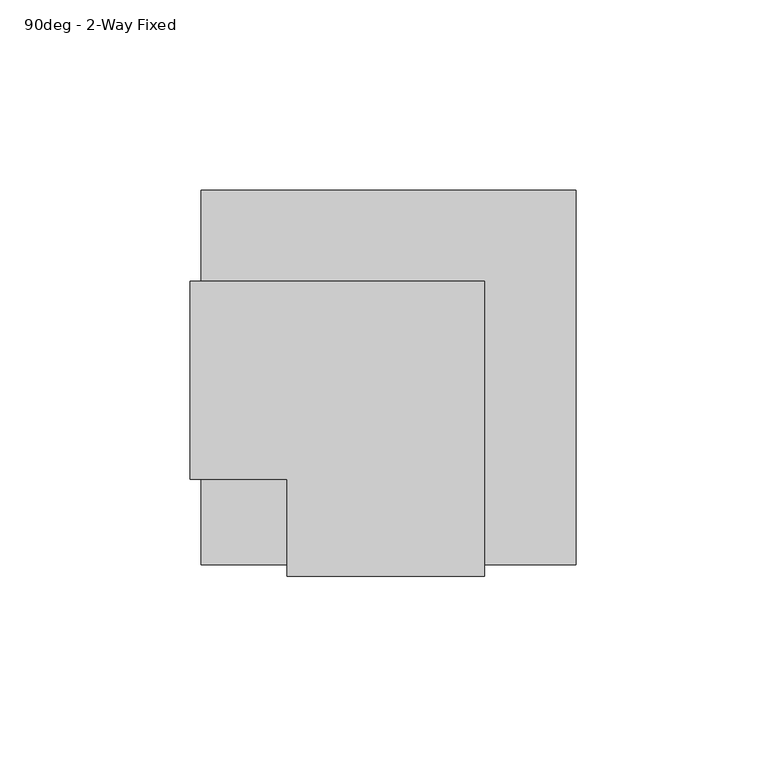
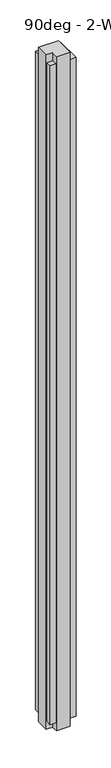
"""IFC4 building model written with IfcOpenShell, lengths in millimetres: furniture geometry, 90deg - 2-Way Fixed."""

import ifcopenshell
import ifcopenshell.guid

model = None  # the IFC model being written
_history = None  # IfcOwnerHistory: only IFC2X3 demands one
_inside = {}  # id of a spatial element -> (the spatial element, [elements in it])
_under = {}  # id of a project, library or spatial element -> (it, [spatial elements below it])
_declared = {}  # id of a project -> (the project, [libraries it declares])
_typed = {}  # id of a type object -> (the type object, [elements of that type])
_made_of = {}  # id of a material, layer set ... -> (it, [elements and type objects made of it])


def new_model(schema):
    """Start an empty IFC model of exactly this schema.

    Asked for "IFC4X3", IfcOpenShell would pick the latest addendum, in which some entities
    have other attributes; the version numbers below select the first issue.
    IFC2X3 requires an IfcOwnerHistory on every rooted entity: one is made here for all.
    """
    global model, _history
    if schema == "IFC4X3":
        model = ifcopenshell.file(schema_version=(4, 3, 0, 0))
    else:
        model = ifcopenshell.file(schema=schema)
    _inside.clear()
    _under.clear()
    _declared.clear()
    _typed.clear()
    _made_of.clear()
    _history = None
    if model.schema == "IFC2X3":
        org = make("IfcOrganization", Name="unknown")
        user = make(
            "IfcPersonAndOrganization",
            ThePerson=make("IfcPerson", FamilyName="unknown"),
            TheOrganization=org,
        )
        app = make(
            "IfcApplication",
            ApplicationDeveloper=org,
            Version="unknown",
            ApplicationFullName="unknown",
            ApplicationIdentifier="unknown",
        )
        _history = make(
            "IfcOwnerHistory",
            OwningUser=user,
            OwningApplication=app,
            ChangeAction="ADDED",
            CreationDate=0,
        )
    return model


def make(cls, **values):
    """One entity of the class cls with the attributes given. An attribute that is None is left unset."""
    return model.create_entity(
        cls, **{name: value for name, value in values.items() if value is not None}
    )


def rooted(cls, **values):
    """An entity with a GlobalId (a new one), such as an element, a storey or a relation."""
    return make(cls, GlobalId=ifcopenshell.guid.new(), OwnerHistory=_history, **values)


def si_unit(unit_type, name, prefix=None):
    """IfcSIUnit, for example si_unit("LENGTHUNIT", "METRE", prefix="MILLI")."""
    return make("IfcSIUnit", UnitType=unit_type, Prefix=prefix, Name=name)


def assignment(units):
    """IfcUnitAssignment: the units of a project."""
    return None if units is None else make("IfcUnitAssignment", Units=units)


def point(xyz):
    """IfcCartesianPoint."""
    return None if xyz is None else make("IfcCartesianPoint", Coordinates=xyz)


def direction(xyz):
    """IfcDirection."""
    return None if xyz is None else make("IfcDirection", DirectionRatios=xyz)


def frame(location, z_axis=None, x_axis=None):
    """IfcAxis2Placement3D, a coordinate frame: its origin and axes. An axis left out is left unset."""
    return make(
        "IfcAxis2Placement3D",
        Location=point(location),
        Axis=direction(z_axis),
        RefDirection=direction(x_axis),
    )


def origin():
    """The frame at (0, 0, 0) with its axes left unset."""
    return frame((0.0, 0.0, 0.0))


def origin_with_axes():
    """The frame at (0, 0, 0) with the z axis (0, 0, 1) and the x axis (1, 0, 0) written out."""
    return frame((0.0, 0.0, 0.0), z_axis=(0.0, 0.0, 1.0), x_axis=(1.0, 0.0, 0.0))


def place(relative_to, where):
    """IfcLocalPlacement: puts the frame where relative to a parent placement (None: the world)."""
    return make(
        "IfcLocalPlacement", PlacementRelTo=relative_to, RelativePlacement=where
    )


def context(
    kind, dimensions, precision=None, world=None, true_north=None, identifier=None
):
    """IfcGeometricRepresentationContext, for example the 3D "Model" context."""
    return make(
        "IfcGeometricRepresentationContext",
        ContextIdentifier=identifier,
        ContextType=kind,
        CoordinateSpaceDimension=dimensions,
        Precision=precision,
        WorldCoordinateSystem=world,
        TrueNorth=true_north,
    )


def project(units=None, contexts=None):
    """IfcProject with its units and contexts."""
    return rooted(
        "IfcProject",
        Name="project",
        RepresentationContexts=contexts,
        UnitsInContext=assignment(units),
    )


def spatial(cls, under=None, at=None, **own):
    """A site, building, storey or space (cls), placed at a placement, below another one or the project."""
    s = rooted(cls, ObjectPlacement=at, **own)
    if under is not None:
        _under.setdefault(under.id(), (under, []))[1].append(s)
    return s


def polyline(points):
    """IfcPolyline through the points."""
    return make("IfcPolyline", Points=[point(p) for p in points])


def outline(outer, holes=None, kind="AREA"):
    """IfcArbitraryClosedProfileDef: a profile drawn as a closed curve; with holes, ...WithVoids."""
    if holes is None:
        return make("IfcArbitraryClosedProfileDef", ProfileType=kind, OuterCurve=outer)
    return make(
        "IfcArbitraryProfileDefWithVoids",
        ProfileType=kind,
        OuterCurve=outer,
        InnerCurves=holes,
    )


def extrude(swept, where, along, depth):
    """IfcExtrudedAreaSolid: the profile swept, set in the frame where, extruded along a direction by depth."""
    return make(
        "IfcExtrudedAreaSolid",
        SweptArea=swept,
        Position=where,
        ExtrudedDirection=direction(along),
        Depth=depth,
    )


def shape(context_of_items, identifier, shape_type, items):
    """IfcShapeRepresentation: the items that make up one representation, for example the "Body"."""
    return make(
        "IfcShapeRepresentation",
        ContextOfItems=context_of_items,
        RepresentationIdentifier=identifier,
        RepresentationType=shape_type,
        Items=items,
    )


def source(mapping_origin, context_of_items, identifier, shape_type, items):
    """IfcRepresentationMap: a shape defined once, which mapped items show again and again."""
    return make(
        "IfcRepresentationMap",
        MappingOrigin=mapping_origin,
        MappedRepresentation=shape(context_of_items, identifier, shape_type, items),
    )


def transform(
    local_origin,
    x_axis=None,
    y_axis=None,
    z_axis=None,
    scale=None,
    scale2=None,
    scale3=None,
    uniform=True,
):
    """IfcCartesianTransformationOperator3D, or its non-uniform kind. x_axis, y_axis, z_axis: its Axis1, 2, 3."""
    if uniform:
        return make(
            "IfcCartesianTransformationOperator3D",
            Axis1=direction(x_axis),
            Axis2=direction(y_axis),
            LocalOrigin=point(local_origin),
            Scale=scale,
            Axis3=direction(z_axis),
        )
    return make(
        "IfcCartesianTransformationOperator3DnonUniform",
        Axis1=direction(x_axis),
        Axis2=direction(y_axis),
        LocalOrigin=point(local_origin),
        Scale=scale,
        Axis3=direction(z_axis),
        Scale2=scale2,
        Scale3=scale3,
    )


def mapped(mapping_source, mapping_target):
    """IfcMappedItem: shows the shape of a source again, moved by a transform."""
    return make(
        "IfcMappedItem", MappingSource=mapping_source, MappingTarget=mapping_target
    )


def made_of(thing, what):
    """Note that an element or type object is made of a material, layer set ...; save() writes the relation."""
    if what is not None:
        _made_of.setdefault(what.id(), (what, []))[1].append(thing)
    return thing


def element(
    cls,
    number,
    at=None,
    inside=None,
    cuts=None,
    type_object=None,
    material=None,
    context=None,
    identifier="Body",
    shape_type=None,
    held_by="IfcProductDefinitionShape",
    body=None,
    shapes=None,
    **own,
):
    """One element of the class cls, such as IfcWall. Its Tag is "e" and its number.

    at: its placement. inside: the storey or other place that contains it. cuts: it is an
    opening in that element (IfcRelVoidsElement). A single representation is given by context,
    identifier, shape_type and body (its items); several are given by shapes. held_by: the class
    of the entity that holds the representations. save() writes the other relations.
    """
    e = rooted(cls, Tag="e%d" % number, ObjectPlacement=at, **own)
    if body is not None:
        shapes = [shape(context, identifier, shape_type, body)]
    if shapes is not None:
        e.Representation = make(held_by, Representations=shapes)
    if inside is not None:
        _inside.setdefault(inside.id(), (inside, []))[1].append(e)
    if cuts is not None:
        rooted(
            "IfcRelVoidsElement", RelatingBuildingElement=cuts, RelatedOpeningElement=e
        )
    if type_object is not None:
        _typed.setdefault(type_object.id(), (type_object, []))[1].append(e)
    return made_of(e, material)


def aggregate(whole, parts):
    """IfcRelAggregates: a whole, such as a stair, and the parts it consists of."""
    return rooted("IfcRelAggregates", RelatingObject=whole, RelatedObjects=parts)


def save(model, path):
    """Write the relations noted so far, then the file.

    IfcRelAggregates (storeys below a building ...), IfcRelContainedInSpatialStructure (elements
    in a storey), IfcRelDefinesByType, IfcRelAssociatesMaterial and IfcRelDeclares: one each for
    every whole, place, type object, material and project.
    """
    for whole, parts in _under.values():
        aggregate(whole, parts)
    for where, things in _inside.values():
        rooted(
            "IfcRelContainedInSpatialStructure",
            RelatedElements=things,
            RelatingStructure=where,
        )
    for kind, things in _typed.values():
        rooted("IfcRelDefinesByType", RelatedObjects=things, RelatingType=kind)
    for what, things in _made_of.values():
        rooted("IfcRelAssociatesMaterial", RelatedObjects=things, RelatingMaterial=what)
    for by, libraries in _declared.values():
        rooted("IfcRelDeclares", RelatingContext=by, RelatedDefinitions=libraries)
    model.write(path)


def furniture_90deg_2_way_fixed_9c908e58(model_context):
    return source(origin(), model_context, "Body", "SweptSolid", [
        extrude(outline(polyline([(-176.1915113, -25.9969), (-176.1915113, 25.9969), (-98.6834113, 25.9969), (-98.6834113, -51.5112), (-150.6772113, -51.5112), (-150.6772113, -25.9969), (-176.1915113, -25.9969)])), origin_with_axes(), (0.0, 0.0, 1.0), 2743.2),
        extrude(outline(polyline([(-173.1943113, 50.0126), (-74.6677113, 50.0126), (-74.6677113, -48.4886), (-98.6834113, -48.4886), (-98.6834113, 25.9969), (-173.1943113, 25.9969), (-173.1943113, 50.0126)])), frame((0.0, 0.0, 32.004), z_axis=(0.0, 0.0, 1.0), x_axis=(1.0, 0.0, 0.0)), (0.0, 0.0, 1.0), 2679.192),
        extrude(outline(polyline([(-150.6772113, -48.4886), (-173.1943113, -48.4886), (-173.1943113, -25.9969), (-150.6772113, -25.9969), (-150.6772113, -48.4886)])), frame((0.0, 0.0, 32.004), z_axis=(0.0, 0.0, 1.0), x_axis=(1.0, 0.0, 0.0)), (0.0, 0.0, 1.0), 2679.192),
    ])


if __name__ == "__main__":
    model = new_model("IFC4")
    model_context = context("Model", 3, world=origin())
    ifc_project = project(units=[si_unit("LENGTHUNIT", "METRE", prefix="MILLI")], contexts=[model_context])
    site = spatial("IfcSite", under=ifc_project)
    building = spatial("IfcBuilding", under=site)
    placement = place(None, origin())
    furniture_90deg_2_way_fixed_shape = furniture_90deg_2_way_fixed_9c908e58(model_context)
    element("IfcFurniture", 1, ObjectType="90deg - 2-Way Fixed", at=placement, inside=building, context=model_context, shape_type="MappedRepresentation", body=[
        mapped(furniture_90deg_2_way_fixed_shape, transform((0.0, 0.0, 0.0), x_axis=(1.0, 0.0, 0.0), y_axis=(0.0, 1.0, 0.0), z_axis=(0.0, 0.0, 1.0))),
    ])
    save(model, "model.ifc")
